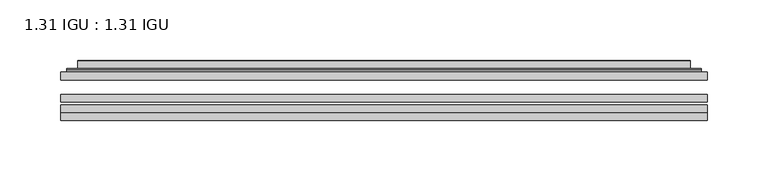
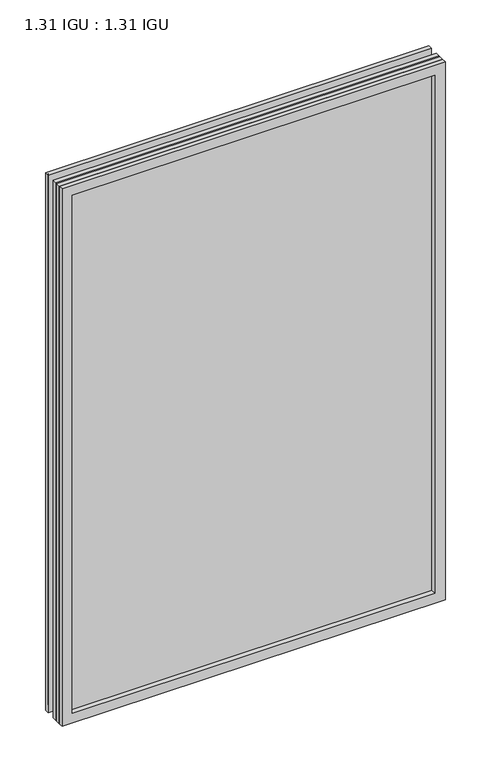
"""IFC4 building model written with IfcOpenShell, lengths in millimetres: plate geometry, 1.31 IGU : 1.31 IGU."""

from ifc_helpers import new_model, si_unit, frame, origin, place, context, project, spatial, polyline, ellipse_curve, outline, extrude, faceted_brep, source, transform, mapped, element, save
from ifc_brep_helpers import plane_surface, cylinder_surface, advanced_brep


def plate_1_31_igu_1_31_igu_dfe468e2(model_context):
    return source(origin(), model_context, "Body", "SolidModel", [
        extrude(outline(polyline([(266.714175, -63.2975937), (266.714175, -69.6475938), (-266.7, -69.6475938), (-266.7, -63.2975937), (266.714175, -63.2975937)])), frame((0.0, 0.0, -14.2875), z_axis=(0.0, 0.0, 1.0), x_axis=(1.0, 0.0, 0.0)), (0.0, 0.0, 1.0), 790.596575),
        extrude(outline(polyline([(-266.7, -78.2835938), (-266.7, -71.9330887), (266.714175, -71.9330887), (266.714175, -78.2835938), (-266.7, -78.2835938)])), frame((0.0, 0.0, -14.2875), z_axis=(0.0, 0.0, 1.0), x_axis=(1.0, 0.0, 0.0)), (0.0, 0.0, 1.0), 790.596575),
        extrude(outline(polyline([(266.714175, -44.9587937), (266.714175, -51.3087938), (-266.7, -51.3087938), (-266.7, -44.9587937), (266.714175, -44.9587937)])), frame((0.0, 0.0, -14.2875), z_axis=(0.0, 0.0, 1.0), x_axis=(1.0, 0.0, 0.0)), (0.0, 0.0, 1.0), 790.596575),
        faceted_brep([(-266.7127, -84.6335937, 776.3179772), (-266.7127, -78.2835937, 776.3179772), (-266.7127, -78.2835937, -14.3002), (-266.7127, -84.6335937, -14.3002), (266.7127, -78.2835937, -14.3002), (266.7127, -84.6335937, -14.3002), (266.7127, -78.2835937, 776.3179772), (266.7127, -84.6335937, 776.3179772), (-251.5147559, -78.2835937, 0.8977441), (251.5147559, -78.2835937, 0.8977441), (251.5147559, -78.2835937, 761.120033), (-251.5147559, -78.2835937, 761.120033), (-252.4071902, -84.6335937, 762.0124673), (252.4071902, -84.6335937, 762.0124673), (252.4071902, -84.6335937, 0.0053098), (-252.4071902, -84.6335937, 0.0053098)], [[[0, 1, 2, 3]], [[3, 2, 4, 5]], [[5, 4, 6, 7]], [[1, 6, 4, 2], [8, 9, 10, 11]], [[7, 6, 1, 0]], [[3, 5, 7, 0], [12, 13, 14, 15]], [[11, 12, 15, 8]], [[8, 15, 14, 9]], [[9, 14, 13, 10]], [[10, 13, 12, 11]]]),
        advanced_brep(
        [(-259.458719, -44.9587937, 769.0639962), (-261.8129244, -42.9691271, 771.4182015), (-261.8129244, -42.9691271, -9.4004244), (-259.458719, -44.9587937, -7.046219), (-250.3843939, -41.1187568, 759.9896711), (-245.4495621, -44.9587937, 755.0548392), (-245.4495621, -44.9587937, 6.9629379), (-250.3843939, -41.1187568, 2.0281061), (-251.4164217, -35.7215256, 761.0216988), (-251.4164217, -35.7215256, 0.9960783), (-252.4070784, -35.3225507, 762.0123556), (-252.4070784, -35.3225507, 0.0054216), (-252.4070784, -41.7837937, 762.0123556), (-252.4070784, -41.7837937, 0.0054216), (-260.8111349, -41.7837937, 770.416412), (-260.8111349, -41.7837937, -8.3986349), (261.8129244, -42.9691271, -9.4004244), (259.458719, -44.9587937, -7.046219), (245.4495621, -44.9587937, 6.9629379), (250.3843939, -41.1187568, 2.0281061), (251.4164217, -35.7215256, 0.9960783), (252.4070784, -35.3225507, 0.0054216), (252.4070784, -41.7837937, 0.0054216), (260.8111349, -41.7837937, -8.3986349), (261.8129244, -42.9691271, 771.4182015), (259.458719, -44.9587937, 769.0639962), (245.4495621, -44.9587937, 755.0548392), (250.3843939, -41.1187568, 759.9896711), (251.4164217, -35.7215256, 761.0216988), (252.4070784, -35.3225507, 762.0123556), (252.4070784, -41.7837937, 762.0123556), (260.8111349, -41.7837937, 770.416412)],
        [
            (0, 1, ellipse_curve(frame((-259.458719, -42.5711937, 769.0639962), z_axis=(-0.7071067811865475, 0.0, -0.7071067811865475), x_axis=(-0.7071067811865474, 0.0, 0.7071067811865476)), 3.3765763, 2.3876)),
            (1, 2),
            (2, 3, ellipse_curve(frame((-259.458719, -42.5711937, -7.046219), z_axis=(-0.7071067811865475, 0.0, 0.7071067811865475), x_axis=(0.7071067811865474, 0.0, 0.7071067811865476)), 3.3765763, 2.3876)),
            (3, 0),
            (4, 5),
            (5, 6),
            (6, 7),
            (7, 4),
            (8, 4),
            (7, 9),
            (9, 8),
            (10, 8, ellipse_curve(frame((-252.0401219, -35.840786, 761.645399), z_axis=(-0.7071067811865475, 0.0, -0.7071067811865475), x_axis=(-0.7071067811865474, 0.0, 0.7071067811865476)), 0.8980256, 0.635)),
            (9, 11, ellipse_curve(frame((-252.0401219, -35.840786, 0.3723781), z_axis=(-0.7071067811865475, 0.0, 0.7071067811865475), x_axis=(0.7071067811865474, 0.0, 0.7071067811865476)), 0.8980256, 0.635)),
            (11, 10),
            (12, 10),
            (11, 13),
            (13, 12),
            (1, 14, ellipse_curve(frame((-260.8111349, -42.7997937, 770.416412), z_axis=(-0.7071067811865475, 0.0, -0.7071067811865475), x_axis=(-0.7071067811865474, 0.0, 0.7071067811865476)), 1.436841, 1.016)),
            (14, 15),
            (15, 2, ellipse_curve(frame((-260.8111349, -42.7997937, -8.3986349), z_axis=(-0.7071067811865475, 0.0, 0.7071067811865475), x_axis=(0.7071067811865474, 0.0, 0.7071067811865476)), 1.436841, 1.016)),
            (2, 16),
            (16, 17, ellipse_curve(frame((259.458719, -42.5711937, -7.046219), z_axis=(-0.7071067811865475, 0.0, -0.7071067811865475), x_axis=(-0.7071067811865476, 0.0, 0.7071067811865474)), 3.3765763, 2.3876)),
            (17, 3),
            (6, 18),
            (18, 19),
            (19, 7),
            (19, 20),
            (20, 9),
            (20, 21, ellipse_curve(frame((252.0401219, -35.840786, 0.3723781), z_axis=(-0.7071067811865475, 0.0, -0.7071067811865475), x_axis=(-0.7071067811865476, 0.0, 0.7071067811865474)), 0.8980256, 0.635)),
            (21, 11),
            (21, 22),
            (22, 13),
            (15, 23),
            (23, 16, ellipse_curve(frame((260.8111349, -42.7997937, -8.3986349), z_axis=(-0.7071067811865475, 0.0, -0.7071067811865475), x_axis=(-0.7071067811865476, 0.0, 0.7071067811865474)), 1.436841, 1.016)),
            (16, 24),
            (24, 25, ellipse_curve(frame((259.458719, -42.5711937, 769.0639962), z_axis=(0.7071067811865475, 0.0, -0.7071067811865475), x_axis=(-0.7071067811865474, 0.0, -0.7071067811865476)), 3.3765763, 2.3876)),
            (25, 17),
            (18, 26),
            (26, 27),
            (27, 19),
            (27, 28),
            (28, 20),
            (28, 29, ellipse_curve(frame((252.0401219, -35.840786, 761.645399), z_axis=(0.7071067811865475, 0.0, -0.7071067811865475), x_axis=(-0.7071067811865474, 0.0, -0.7071067811865476)), 0.8980256, 0.635)),
            (29, 21),
            (29, 30),
            (30, 22),
            (23, 31),
            (31, 24, ellipse_curve(frame((260.8111349, -42.7997937, 770.416412), z_axis=(0.7071067811865475, 0.0, -0.7071067811865475), x_axis=(-0.7071067811865474, 0.0, -0.7071067811865476)), 1.436841, 1.016)),
            (24, 1),
            (0, 25),
            (5, 26),
            (4, 27),
            (8, 28),
            (10, 29),
            (12, 30),
            (14, 31),
        ],
        [
            cylinder_surface(frame((-259.458719, -42.5711937, 793.7677772), z_axis=(0.0, 0.0, 1.0), x_axis=(-1.0, 0.0, 0.0)), 2.3876),
            plane_surface(frame((-245.4495621, -44.9587937, 755.0548392), z_axis=(0.6141233906514794, 0.7892100234124821, 0.0), x_axis=(0.0, 0.0, -1.0))),
            plane_surface(frame((-250.3843939, -41.1187568, 759.9896711), z_axis=(0.9822050625507729, 0.18781164793386076, 0.0), x_axis=(0.0, 0.0, -1.0))),
            cylinder_surface(frame((-252.0401219, -35.840786, 793.7677772), z_axis=(0.0, 0.0, 1.0), x_axis=(-1.0, 0.0, 0.0)), 0.635),
            plane_surface(frame((-252.4070784, -35.3225507, 762.0123556), z_axis=(-1.0, 0.0, 0.0), x_axis=(0.0, 0.0, -1.0))),
            cylinder_surface(frame((-260.8111349, -42.7997937, 793.7677772), z_axis=(0.0, 0.0, 1.0), x_axis=(-1.0, 0.0, 0.0)), 1.016),
            cylinder_surface(frame((-284.1625, -42.5711937, -7.046219), z_axis=(-1.0, 0.0, 0.0), x_axis=(0.0, 0.0, -1.0)), 2.3876),
            plane_surface(frame((-245.4495621, -44.9587937, 6.9629379), z_axis=(0.0, 0.7892100234124841, 0.6141233906514768), x_axis=(1.0, 0.0, 0.0))),
            plane_surface(frame((-250.3843939, -41.1187568, 2.0281061), z_axis=(0.0, 0.18781164793386393, 0.9822050625507723), x_axis=(1.0, 0.0, 0.0))),
            cylinder_surface(frame((-284.1625, -35.840786, 0.3723781), z_axis=(-1.0, 0.0, 0.0), x_axis=(0.0, 0.0, -1.0)), 0.635),
            plane_surface(frame((-252.4070784, -35.3225507, 0.0054216), z_axis=(0.0, 0.0, -1.0), x_axis=(1.0, 0.0, 0.0))),
            cylinder_surface(frame((-284.1625, -42.7997937, -8.3986349), z_axis=(-1.0, 0.0, 0.0), x_axis=(0.0, 0.0, -1.0)), 1.016),
            cylinder_surface(frame((259.458719, -42.5711937, -31.75), z_axis=(0.0, 0.0, -1.0), x_axis=(1.0, 0.0, 0.0)), 2.3876),
            plane_surface(frame((245.4495621, -44.9587937, 6.9629379), z_axis=(-0.6141233906514743, 0.7892100234124861, 0.0), x_axis=(0.0, 0.0, 1.0))),
            plane_surface(frame((250.3843939, -41.1187568, 2.0281061), z_axis=(-0.9822050625507718, 0.1878116479338671, 0.0), x_axis=(0.0, 0.0, 1.0))),
            cylinder_surface(frame((252.0401219, -35.840786, -31.75), z_axis=(0.0, 0.0, -1.0), x_axis=(1.0, 0.0, 0.0)), 0.635),
            plane_surface(frame((252.4070784, -35.3225507, 0.0054216), z_axis=(1.0, 0.0, 0.0), x_axis=(0.0, 0.0, 1.0))),
            cylinder_surface(frame((260.8111349, -42.7997937, -31.75), z_axis=(0.0, 0.0, -1.0), x_axis=(1.0, 0.0, 0.0)), 1.016),
            cylinder_surface(frame((284.1625, -42.5711937, 769.0639962), z_axis=(1.0, 0.0, 0.0), x_axis=(0.0, 0.0, 1.0)), 2.3876),
            plane_surface(frame((259.458719, -44.9587937, 769.0639962), z_axis=(0.0, -1.0, 0.0), x_axis=(-1.0, 0.0, 0.0))),
            plane_surface(frame((245.4495621, -44.9587937, 755.0548392), z_axis=(0.0, 0.7892100234124841, -0.6141233906514768), x_axis=(-1.0, 0.0, 0.0))),
            plane_surface(frame((250.3843939, -41.1187568, 759.9896711), z_axis=(0.0, 0.18781164793386393, -0.9822050625507723), x_axis=(-1.0, 0.0, 0.0))),
            cylinder_surface(frame((284.1625, -35.840786, 761.645399), z_axis=(1.0, 0.0, 0.0), x_axis=(0.0, 0.0, 1.0)), 0.635),
            plane_surface(frame((252.4070784, -35.3225507, 762.0123556), z_axis=(0.0, 0.0, 1.0), x_axis=(-1.0, 0.0, 0.0))),
            plane_surface(frame((252.4070784, -41.7837937, 762.0123556), z_axis=(0.0, 1.0, 0.0), x_axis=(-1.0, 0.0, 0.0))),
            cylinder_surface(frame((284.1625, -42.7997937, 770.416412), z_axis=(1.0, 0.0, 0.0), x_axis=(0.0, 0.0, 1.0)), 1.016),
        ],
        [
            (0, [[1, 2, 3, 4]]),
            (1, [[5, 6, 7, 8]]),
            (2, [[9, -8, 10, 11]]),
            (3, [[12, -11, 13, 14]]),
            (4, [[15, -14, 16, 17]]),
            (5, [[18, 19, 20, -2]]),
            (6, [[-3, 21, 22, 23]]),
            (7, [[-7, 24, 25, 26]]),
            (8, [[-10, -26, 27, 28]]),
            (9, [[-13, -28, 29, 30]]),
            (10, [[-16, -30, 31, 32]]),
            (11, [[-20, 33, 34, -21]]),
            (12, [[-22, 35, 36, 37]]),
            (13, [[-25, 38, 39, 40]]),
            (14, [[-27, -40, 41, 42]]),
            (15, [[-29, -42, 43, 44]]),
            (16, [[-31, -44, 45, 46]]),
            (17, [[-34, 47, 48, -35]]),
            (18, [[-36, 49, -1, 50]]),
            (19, [[-23, -37, -50, -4], [51, -38, -24, -6]]),
            (20, [[-39, -51, -5, 52]]),
            (21, [[-41, -52, -9, 53]]),
            (22, [[-43, -53, -12, 54]]),
            (23, [[-45, -54, -15, 55]]),
            (24, [[56, -47, -33, -19], [-32, -46, -55, -17]]),
            (25, [[-48, -56, -18, -49]]),
        ],
    ),
    ])


if __name__ == "__main__":
    model = new_model("IFC4")
    model_context = context("Model", 3, world=origin())
    ifc_project = project(units=[si_unit("LENGTHUNIT", "METRE", prefix="MILLI")], contexts=[model_context])
    site = spatial("IfcSite", under=ifc_project)
    building = spatial("IfcBuilding", under=site)
    placement = place(None, origin())
    plate_1_31_igu_1_31_igu_shape = plate_1_31_igu_1_31_igu_dfe468e2(model_context)
    element("IfcPlate", 1, ObjectType="1.31 IGU : 1.31 IGU", at=placement, inside=building, context=model_context, shape_type="MappedRepresentation", body=[
        mapped(plate_1_31_igu_1_31_igu_shape, transform((0.0, 0.0, 0.0), x_axis=(1.0, 0.0, 0.0), y_axis=(0.0, 1.0, 0.0), z_axis=(0.0, 0.0, 1.0))),
    ])
    save(model, "model.ifc")
